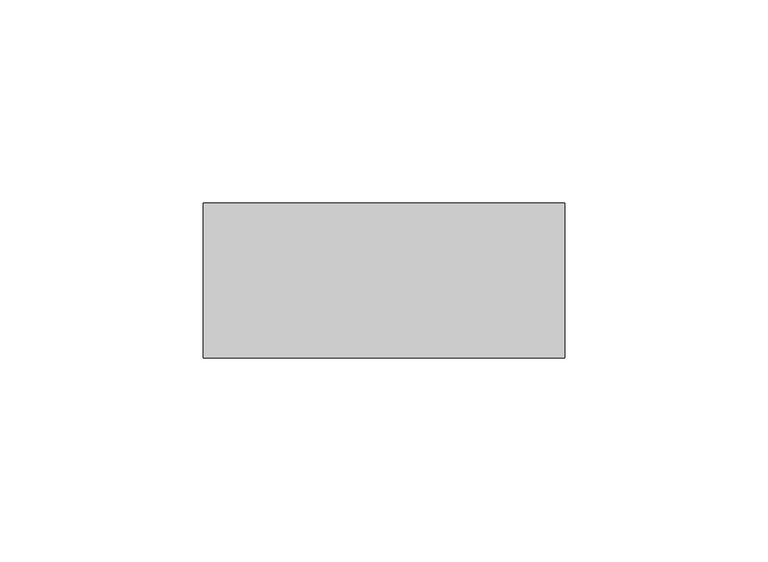
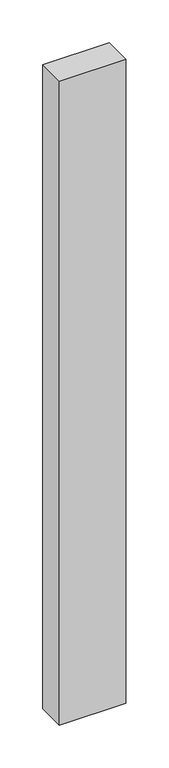
"""IFC4 building model written with IfcOpenShell, lengths in millimetres: proxy geometry."""

from ifc_helpers import new_model, si_unit, frame, origin, place, context, project, spatial, polyline, outline, extrude, source, transform, mapped, element, save


def generic_models_8c2f161b(model_context):
    return source(origin(), model_context, "Body", "SweptSolid", [
        extrude(outline(polyline([(37249.6710168, -23966.9554213), (37249.6710168, -23928.8554213), (37338.5710168, -23928.8554213), (37338.5710168, -23966.9554213), (37249.6710168, -23966.9554213)])), frame((0.0, 0.0, 1524.0), z_axis=(0.0, 0.0, 1.0), x_axis=(1.0, 0.0, 0.0)), (0.0, 0.0, 1.0), 914.4),
    ])


if __name__ == "__main__":
    model = new_model("IFC4")
    model_context = context("Model", 3, world=origin())
    ifc_project = project(units=[si_unit("LENGTHUNIT", "METRE", prefix="MILLI")], contexts=[model_context])
    site = spatial("IfcSite", under=ifc_project)
    building = spatial("IfcBuilding", under=site)
    placement = place(None, origin())
    generic_models_shape = generic_models_8c2f161b(model_context)
    element("IfcBuildingElementProxy", 1, Name="Generic Models", at=placement, inside=building, context=model_context, shape_type="MappedRepresentation", body=[
        mapped(generic_models_shape, transform((0.0, 0.0, 0.0), x_axis=(1.0, 0.0, 0.0), y_axis=(0.0, 1.0, 0.0), z_axis=(0.0, 0.0, 1.0))),
    ])
    save(model, "model.ifc")
